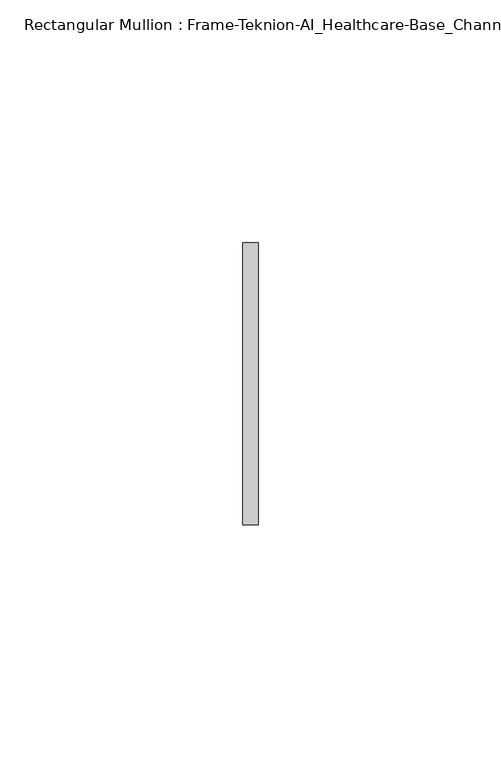
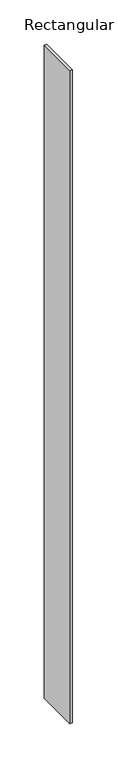
"""IFC4 building model written with IfcOpenShell, lengths in millimetres: member geometry, Rectangular Mullion : Frame-Teknion-AI_Healthcare-Base_Channel."""

import ifcopenshell
import ifcopenshell.guid

model = None  # the IFC model being written
_history = None  # IfcOwnerHistory: only IFC2X3 demands one
_inside = {}  # id of a spatial element -> (the spatial element, [elements in it])
_under = {}  # id of a project, library or spatial element -> (it, [spatial elements below it])
_declared = {}  # id of a project -> (the project, [libraries it declares])
_typed = {}  # id of a type object -> (the type object, [elements of that type])
_made_of = {}  # id of a material, layer set ... -> (it, [elements and type objects made of it])


def new_model(schema):
    """Start an empty IFC model of exactly this schema.

    Asked for "IFC4X3", IfcOpenShell would pick the latest addendum, in which some entities
    have other attributes; the version numbers below select the first issue.
    IFC2X3 requires an IfcOwnerHistory on every rooted entity: one is made here for all.
    """
    global model, _history
    if schema == "IFC4X3":
        model = ifcopenshell.file(schema_version=(4, 3, 0, 0))
    else:
        model = ifcopenshell.file(schema=schema)
    _inside.clear()
    _under.clear()
    _declared.clear()
    _typed.clear()
    _made_of.clear()
    _history = None
    if model.schema == "IFC2X3":
        org = make("IfcOrganization", Name="unknown")
        user = make(
            "IfcPersonAndOrganization",
            ThePerson=make("IfcPerson", FamilyName="unknown"),
            TheOrganization=org,
        )
        app = make(
            "IfcApplication",
            ApplicationDeveloper=org,
            Version="unknown",
            ApplicationFullName="unknown",
            ApplicationIdentifier="unknown",
        )
        _history = make(
            "IfcOwnerHistory",
            OwningUser=user,
            OwningApplication=app,
            ChangeAction="ADDED",
            CreationDate=0,
        )
    return model


def make(cls, **values):
    """One entity of the class cls with the attributes given. An attribute that is None is left unset."""
    return model.create_entity(
        cls, **{name: value for name, value in values.items() if value is not None}
    )


def rooted(cls, **values):
    """An entity with a GlobalId (a new one), such as an element, a storey or a relation."""
    return make(cls, GlobalId=ifcopenshell.guid.new(), OwnerHistory=_history, **values)


def si_unit(unit_type, name, prefix=None):
    """IfcSIUnit, for example si_unit("LENGTHUNIT", "METRE", prefix="MILLI")."""
    return make("IfcSIUnit", UnitType=unit_type, Prefix=prefix, Name=name)


def assignment(units):
    """IfcUnitAssignment: the units of a project."""
    return None if units is None else make("IfcUnitAssignment", Units=units)


def point(xyz):
    """IfcCartesianPoint."""
    return None if xyz is None else make("IfcCartesianPoint", Coordinates=xyz)


def direction(xyz):
    """IfcDirection."""
    return None if xyz is None else make("IfcDirection", DirectionRatios=xyz)


def frame(location, z_axis=None, x_axis=None):
    """IfcAxis2Placement3D, a coordinate frame: its origin and axes. An axis left out is left unset."""
    return make(
        "IfcAxis2Placement3D",
        Location=point(location),
        Axis=direction(z_axis),
        RefDirection=direction(x_axis),
    )


def origin():
    """The frame at (0, 0, 0) with its axes left unset."""
    return frame((0.0, 0.0, 0.0))


def place(relative_to, where):
    """IfcLocalPlacement: puts the frame where relative to a parent placement (None: the world)."""
    return make(
        "IfcLocalPlacement", PlacementRelTo=relative_to, RelativePlacement=where
    )


def context(
    kind, dimensions, precision=None, world=None, true_north=None, identifier=None
):
    """IfcGeometricRepresentationContext, for example the 3D "Model" context."""
    return make(
        "IfcGeometricRepresentationContext",
        ContextIdentifier=identifier,
        ContextType=kind,
        CoordinateSpaceDimension=dimensions,
        Precision=precision,
        WorldCoordinateSystem=world,
        TrueNorth=true_north,
    )


def project(units=None, contexts=None):
    """IfcProject with its units and contexts."""
    return rooted(
        "IfcProject",
        Name="project",
        RepresentationContexts=contexts,
        UnitsInContext=assignment(units),
    )


def spatial(cls, under=None, at=None, **own):
    """A site, building, storey or space (cls), placed at a placement, below another one or the project."""
    s = rooted(cls, ObjectPlacement=at, **own)
    if under is not None:
        _under.setdefault(under.id(), (under, []))[1].append(s)
    return s


def polyline(points):
    """IfcPolyline through the points."""
    return make("IfcPolyline", Points=[point(p) for p in points])


def outline(outer, holes=None, kind="AREA"):
    """IfcArbitraryClosedProfileDef: a profile drawn as a closed curve; with holes, ...WithVoids."""
    if holes is None:
        return make("IfcArbitraryClosedProfileDef", ProfileType=kind, OuterCurve=outer)
    return make(
        "IfcArbitraryProfileDefWithVoids",
        ProfileType=kind,
        OuterCurve=outer,
        InnerCurves=holes,
    )


def extrude(swept, where, along, depth):
    """IfcExtrudedAreaSolid: the profile swept, set in the frame where, extruded along a direction by depth."""
    return make(
        "IfcExtrudedAreaSolid",
        SweptArea=swept,
        Position=where,
        ExtrudedDirection=direction(along),
        Depth=depth,
    )


def shape(context_of_items, identifier, shape_type, items):
    """IfcShapeRepresentation: the items that make up one representation, for example the "Body"."""
    return make(
        "IfcShapeRepresentation",
        ContextOfItems=context_of_items,
        RepresentationIdentifier=identifier,
        RepresentationType=shape_type,
        Items=items,
    )


def source(mapping_origin, context_of_items, identifier, shape_type, items):
    """IfcRepresentationMap: a shape defined once, which mapped items show again and again."""
    return make(
        "IfcRepresentationMap",
        MappingOrigin=mapping_origin,
        MappedRepresentation=shape(context_of_items, identifier, shape_type, items),
    )


def transform(
    local_origin,
    x_axis=None,
    y_axis=None,
    z_axis=None,
    scale=None,
    scale2=None,
    scale3=None,
    uniform=True,
):
    """IfcCartesianTransformationOperator3D, or its non-uniform kind. x_axis, y_axis, z_axis: its Axis1, 2, 3."""
    if uniform:
        return make(
            "IfcCartesianTransformationOperator3D",
            Axis1=direction(x_axis),
            Axis2=direction(y_axis),
            LocalOrigin=point(local_origin),
            Scale=scale,
            Axis3=direction(z_axis),
        )
    return make(
        "IfcCartesianTransformationOperator3DnonUniform",
        Axis1=direction(x_axis),
        Axis2=direction(y_axis),
        LocalOrigin=point(local_origin),
        Scale=scale,
        Axis3=direction(z_axis),
        Scale2=scale2,
        Scale3=scale3,
    )


def mapped(mapping_source, mapping_target):
    """IfcMappedItem: shows the shape of a source again, moved by a transform."""
    return make(
        "IfcMappedItem", MappingSource=mapping_source, MappingTarget=mapping_target
    )


def made_of(thing, what):
    """Note that an element or type object is made of a material, layer set ...; save() writes the relation."""
    if what is not None:
        _made_of.setdefault(what.id(), (what, []))[1].append(thing)
    return thing


def element(
    cls,
    number,
    at=None,
    inside=None,
    cuts=None,
    type_object=None,
    material=None,
    context=None,
    identifier="Body",
    shape_type=None,
    held_by="IfcProductDefinitionShape",
    body=None,
    shapes=None,
    **own,
):
    """One element of the class cls, such as IfcWall. Its Tag is "e" and its number.

    at: its placement. inside: the storey or other place that contains it. cuts: it is an
    opening in that element (IfcRelVoidsElement). A single representation is given by context,
    identifier, shape_type and body (its items); several are given by shapes. held_by: the class
    of the entity that holds the representations. save() writes the other relations.
    """
    e = rooted(cls, Tag="e%d" % number, ObjectPlacement=at, **own)
    if body is not None:
        shapes = [shape(context, identifier, shape_type, body)]
    if shapes is not None:
        e.Representation = make(held_by, Representations=shapes)
    if inside is not None:
        _inside.setdefault(inside.id(), (inside, []))[1].append(e)
    if cuts is not None:
        rooted(
            "IfcRelVoidsElement", RelatingBuildingElement=cuts, RelatedOpeningElement=e
        )
    if type_object is not None:
        _typed.setdefault(type_object.id(), (type_object, []))[1].append(e)
    return made_of(e, material)


def aggregate(whole, parts):
    """IfcRelAggregates: a whole, such as a stair, and the parts it consists of."""
    return rooted("IfcRelAggregates", RelatingObject=whole, RelatedObjects=parts)


def save(model, path):
    """Write the relations noted so far, then the file.

    IfcRelAggregates (storeys below a building ...), IfcRelContainedInSpatialStructure (elements
    in a storey), IfcRelDefinesByType, IfcRelAssociatesMaterial and IfcRelDeclares: one each for
    every whole, place, type object, material and project.
    """
    for whole, parts in _under.values():
        aggregate(whole, parts)
    for where, things in _inside.values():
        rooted(
            "IfcRelContainedInSpatialStructure",
            RelatedElements=things,
            RelatingStructure=where,
        )
    for kind, things in _typed.values():
        rooted("IfcRelDefinesByType", RelatedObjects=things, RelatingType=kind)
    for what, things in _made_of.values():
        rooted("IfcRelAssociatesMaterial", RelatedObjects=things, RelatingMaterial=what)
    for by, libraries in _declared.values():
        rooted("IfcRelDeclares", RelatingContext=by, RelatedDefinitions=libraries)
    model.write(path)


def rectangular_mullion_frame_teknion_ai_healthcare_base_channel_34c84bd6(model_context):
    return source(origin(), model_context, "Body", "SweptSolid", [
        extrude(outline(polyline([(0.0, 29.0214844), (0.0, -29.0214844), (-3.175, -29.0214844), (-3.175, 29.0214844), (0.0, 29.0214844)])), frame((0.0, 0.0, -901.7), z_axis=(0.0, 0.0, 1.0), x_axis=(1.0, 0.0, 0.0)), (0.0, 0.0, 1.0), 901.7),
    ])


if __name__ == "__main__":
    model = new_model("IFC4")
    model_context = context("Model", 3, world=origin())
    ifc_project = project(units=[si_unit("LENGTHUNIT", "METRE", prefix="MILLI")], contexts=[model_context])
    site = spatial("IfcSite", under=ifc_project)
    building = spatial("IfcBuilding", under=site)
    placement = place(None, origin())
    rectangular_mullion_frame_teknion_ai_healthcare_base_channel_shape = rectangular_mullion_frame_teknion_ai_healthcare_base_channel_34c84bd6(model_context)
    element("IfcMember", 1, ObjectType="Rectangular Mullion : Frame-Teknion-AI_Healthcare-Base_Channel", at=placement, inside=building, context=model_context, shape_type="MappedRepresentation", body=[
        mapped(rectangular_mullion_frame_teknion_ai_healthcare_base_channel_shape, transform((0.0, 0.0, 0.0), x_axis=(1.0, 0.0, 0.0), y_axis=(0.0, 1.0, 0.0), z_axis=(0.0, 0.0, 1.0))),
    ])
    save(model, "model.ifc")
